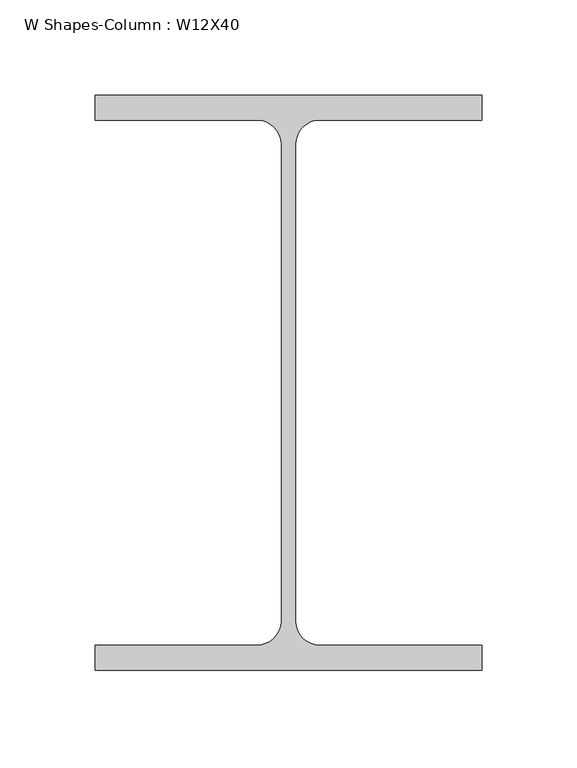
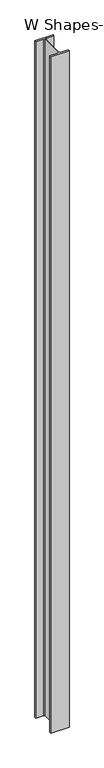
"""IFC4 building model written with IfcOpenShell, lengths in millimetres: column geometry, W Shapes-Column : W12X40."""

from ifc_helpers import new_model, si_unit, point, frame_2d, origin, origin_with_axes, place, context, project, spatial, polyline, circle_curve, trimmed, segment, composite_curve, outline, extrude, source, transform, mapped, element, save


def w_shapes_column_w12x40_ec37d06b(model_context):
    return source(origin(), model_context, "Body", "SweptSolid", [
        extrude(outline(composite_curve([segment(polyline([(101.727, 151.13), (101.727, 138.049), (16.5735, 138.049)]), True, "CONTINUOUS"), segment(trimmed(circle_curve(frame_2d((16.5735, 125.222)), 12.827), [point((16.5735, 138.049))], [point((3.7465, 125.222))], True, "CARTESIAN"), True, "CONTINUOUS"), segment(polyline([(3.7465, 125.222), (3.7465, -125.222)]), True, "CONTINUOUS"), segment(trimmed(circle_curve(frame_2d((16.5735, -125.222)), 12.827), [point((3.7465, -125.222))], [point((16.5735, -138.049))], True, "CARTESIAN"), True, "CONTINUOUS"), segment(polyline([(16.5735, -138.049), (101.727, -138.049), (101.727, -151.13), (-101.727, -151.13), (-101.727, -138.049), (-16.5735, -138.049)]), True, "CONTINUOUS"), segment(trimmed(circle_curve(frame_2d((-16.5735, -125.222)), 12.827), [point((-16.5735, -138.049))], [point((-3.7465, -125.222))], True, "CARTESIAN"), True, "CONTINUOUS"), segment(polyline([(-3.7465, -125.222), (-3.7465, 125.222)]), True, "CONTINUOUS"), segment(trimmed(circle_curve(frame_2d((-16.5735, 125.222)), 12.827), [point((-3.7465, 125.222))], [point((-16.5735, 138.049))], True, "CARTESIAN"), True, "CONTINUOUS"), segment(polyline([(-16.5735, 138.049), (-101.727, 138.049), (-101.727, 151.13), (101.727, 151.13)]), True, "CONTINUOUS")], self_intersect=False)), origin_with_axes(), (0.0, 0.0, 1.0), 7924.8),
    ])


if __name__ == "__main__":
    model = new_model("IFC4")
    model_context = context("Model", 3, world=origin())
    ifc_project = project(units=[si_unit("LENGTHUNIT", "METRE", prefix="MILLI")], contexts=[model_context])
    site = spatial("IfcSite", under=ifc_project)
    building = spatial("IfcBuilding", under=site)
    placement = place(None, origin())
    w_shapes_column_w12x40_shape = w_shapes_column_w12x40_ec37d06b(model_context)
    element("IfcColumn", 1, ObjectType="W Shapes-Column : W12X40", at=placement, inside=building, context=model_context, shape_type="MappedRepresentation", body=[
        mapped(w_shapes_column_w12x40_shape, transform((0.0, 0.0, 0.0), x_axis=(1.0, 0.0, 0.0), y_axis=(0.0, 1.0, 0.0), z_axis=(0.0, 0.0, 1.0))),
    ])
    save(model, "model.ifc")
